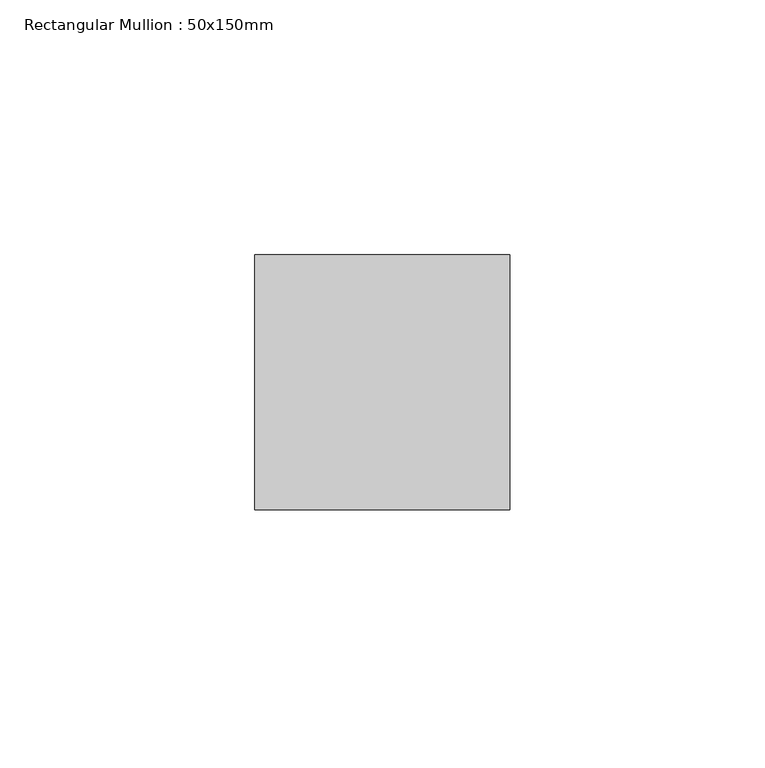
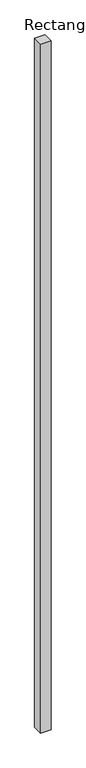
"""IFC4 building model written with IfcOpenShell, lengths in millimetres: member geometry, Rectangular Mullion : 50x150mm."""

import ifcopenshell
import ifcopenshell.guid

model = None  # the IFC model being written
_history = None  # IfcOwnerHistory: only IFC2X3 demands one
_inside = {}  # id of a spatial element -> (the spatial element, [elements in it])
_under = {}  # id of a project, library or spatial element -> (it, [spatial elements below it])
_declared = {}  # id of a project -> (the project, [libraries it declares])
_typed = {}  # id of a type object -> (the type object, [elements of that type])
_made_of = {}  # id of a material, layer set ... -> (it, [elements and type objects made of it])


def new_model(schema):
    """Start an empty IFC model of exactly this schema.

    Asked for "IFC4X3", IfcOpenShell would pick the latest addendum, in which some entities
    have other attributes; the version numbers below select the first issue.
    IFC2X3 requires an IfcOwnerHistory on every rooted entity: one is made here for all.
    """
    global model, _history
    if schema == "IFC4X3":
        model = ifcopenshell.file(schema_version=(4, 3, 0, 0))
    else:
        model = ifcopenshell.file(schema=schema)
    _inside.clear()
    _under.clear()
    _declared.clear()
    _typed.clear()
    _made_of.clear()
    _history = None
    if model.schema == "IFC2X3":
        org = make("IfcOrganization", Name="unknown")
        user = make(
            "IfcPersonAndOrganization",
            ThePerson=make("IfcPerson", FamilyName="unknown"),
            TheOrganization=org,
        )
        app = make(
            "IfcApplication",
            ApplicationDeveloper=org,
            Version="unknown",
            ApplicationFullName="unknown",
            ApplicationIdentifier="unknown",
        )
        _history = make(
            "IfcOwnerHistory",
            OwningUser=user,
            OwningApplication=app,
            ChangeAction="ADDED",
            CreationDate=0,
        )
    return model


def make(cls, **values):
    """One entity of the class cls with the attributes given. An attribute that is None is left unset."""
    return model.create_entity(
        cls, **{name: value for name, value in values.items() if value is not None}
    )


def rooted(cls, **values):
    """An entity with a GlobalId (a new one), such as an element, a storey or a relation."""
    return make(cls, GlobalId=ifcopenshell.guid.new(), OwnerHistory=_history, **values)


def si_unit(unit_type, name, prefix=None):
    """IfcSIUnit, for example si_unit("LENGTHUNIT", "METRE", prefix="MILLI")."""
    return make("IfcSIUnit", UnitType=unit_type, Prefix=prefix, Name=name)


def assignment(units):
    """IfcUnitAssignment: the units of a project."""
    return None if units is None else make("IfcUnitAssignment", Units=units)


def point(xyz):
    """IfcCartesianPoint."""
    return None if xyz is None else make("IfcCartesianPoint", Coordinates=xyz)


def direction(xyz):
    """IfcDirection."""
    return None if xyz is None else make("IfcDirection", DirectionRatios=xyz)


def frame(location, z_axis=None, x_axis=None):
    """IfcAxis2Placement3D, a coordinate frame: its origin and axes. An axis left out is left unset."""
    return make(
        "IfcAxis2Placement3D",
        Location=point(location),
        Axis=direction(z_axis),
        RefDirection=direction(x_axis),
    )


def origin():
    """The frame at (0, 0, 0) with its axes left unset."""
    return frame((0.0, 0.0, 0.0))


def place(relative_to, where):
    """IfcLocalPlacement: puts the frame where relative to a parent placement (None: the world)."""
    return make(
        "IfcLocalPlacement", PlacementRelTo=relative_to, RelativePlacement=where
    )


def context(
    kind, dimensions, precision=None, world=None, true_north=None, identifier=None
):
    """IfcGeometricRepresentationContext, for example the 3D "Model" context."""
    return make(
        "IfcGeometricRepresentationContext",
        ContextIdentifier=identifier,
        ContextType=kind,
        CoordinateSpaceDimension=dimensions,
        Precision=precision,
        WorldCoordinateSystem=world,
        TrueNorth=true_north,
    )


def project(units=None, contexts=None):
    """IfcProject with its units and contexts."""
    return rooted(
        "IfcProject",
        Name="project",
        RepresentationContexts=contexts,
        UnitsInContext=assignment(units),
    )


def spatial(cls, under=None, at=None, **own):
    """A site, building, storey or space (cls), placed at a placement, below another one or the project."""
    s = rooted(cls, ObjectPlacement=at, **own)
    if under is not None:
        _under.setdefault(under.id(), (under, []))[1].append(s)
    return s


def polyline(points):
    """IfcPolyline through the points."""
    return make("IfcPolyline", Points=[point(p) for p in points])


def outline(outer, holes=None, kind="AREA"):
    """IfcArbitraryClosedProfileDef: a profile drawn as a closed curve; with holes, ...WithVoids."""
    if holes is None:
        return make("IfcArbitraryClosedProfileDef", ProfileType=kind, OuterCurve=outer)
    return make(
        "IfcArbitraryProfileDefWithVoids",
        ProfileType=kind,
        OuterCurve=outer,
        InnerCurves=holes,
    )


def extrude(swept, where, along, depth):
    """IfcExtrudedAreaSolid: the profile swept, set in the frame where, extruded along a direction by depth."""
    return make(
        "IfcExtrudedAreaSolid",
        SweptArea=swept,
        Position=where,
        ExtrudedDirection=direction(along),
        Depth=depth,
    )


def shape(context_of_items, identifier, shape_type, items):
    """IfcShapeRepresentation: the items that make up one representation, for example the "Body"."""
    return make(
        "IfcShapeRepresentation",
        ContextOfItems=context_of_items,
        RepresentationIdentifier=identifier,
        RepresentationType=shape_type,
        Items=items,
    )


def source(mapping_origin, context_of_items, identifier, shape_type, items):
    """IfcRepresentationMap: a shape defined once, which mapped items show again and again."""
    return make(
        "IfcRepresentationMap",
        MappingOrigin=mapping_origin,
        MappedRepresentation=shape(context_of_items, identifier, shape_type, items),
    )


def transform(
    local_origin,
    x_axis=None,
    y_axis=None,
    z_axis=None,
    scale=None,
    scale2=None,
    scale3=None,
    uniform=True,
):
    """IfcCartesianTransformationOperator3D, or its non-uniform kind. x_axis, y_axis, z_axis: its Axis1, 2, 3."""
    if uniform:
        return make(
            "IfcCartesianTransformationOperator3D",
            Axis1=direction(x_axis),
            Axis2=direction(y_axis),
            LocalOrigin=point(local_origin),
            Scale=scale,
            Axis3=direction(z_axis),
        )
    return make(
        "IfcCartesianTransformationOperator3DnonUniform",
        Axis1=direction(x_axis),
        Axis2=direction(y_axis),
        LocalOrigin=point(local_origin),
        Scale=scale,
        Axis3=direction(z_axis),
        Scale2=scale2,
        Scale3=scale3,
    )


def mapped(mapping_source, mapping_target):
    """IfcMappedItem: shows the shape of a source again, moved by a transform."""
    return make(
        "IfcMappedItem", MappingSource=mapping_source, MappingTarget=mapping_target
    )


def made_of(thing, what):
    """Note that an element or type object is made of a material, layer set ...; save() writes the relation."""
    if what is not None:
        _made_of.setdefault(what.id(), (what, []))[1].append(thing)
    return thing


def element(
    cls,
    number,
    at=None,
    inside=None,
    cuts=None,
    type_object=None,
    material=None,
    context=None,
    identifier="Body",
    shape_type=None,
    held_by="IfcProductDefinitionShape",
    body=None,
    shapes=None,
    **own,
):
    """One element of the class cls, such as IfcWall. Its Tag is "e" and its number.

    at: its placement. inside: the storey or other place that contains it. cuts: it is an
    opening in that element (IfcRelVoidsElement). A single representation is given by context,
    identifier, shape_type and body (its items); several are given by shapes. held_by: the class
    of the entity that holds the representations. save() writes the other relations.
    """
    e = rooted(cls, Tag="e%d" % number, ObjectPlacement=at, **own)
    if body is not None:
        shapes = [shape(context, identifier, shape_type, body)]
    if shapes is not None:
        e.Representation = make(held_by, Representations=shapes)
    if inside is not None:
        _inside.setdefault(inside.id(), (inside, []))[1].append(e)
    if cuts is not None:
        rooted(
            "IfcRelVoidsElement", RelatingBuildingElement=cuts, RelatedOpeningElement=e
        )
    if type_object is not None:
        _typed.setdefault(type_object.id(), (type_object, []))[1].append(e)
    return made_of(e, material)


def aggregate(whole, parts):
    """IfcRelAggregates: a whole, such as a stair, and the parts it consists of."""
    return rooted("IfcRelAggregates", RelatingObject=whole, RelatedObjects=parts)


def save(model, path):
    """Write the relations noted so far, then the file.

    IfcRelAggregates (storeys below a building ...), IfcRelContainedInSpatialStructure (elements
    in a storey), IfcRelDefinesByType, IfcRelAssociatesMaterial and IfcRelDeclares: one each for
    every whole, place, type object, material and project.
    """
    for whole, parts in _under.values():
        aggregate(whole, parts)
    for where, things in _inside.values():
        rooted(
            "IfcRelContainedInSpatialStructure",
            RelatedElements=things,
            RelatingStructure=where,
        )
    for kind, things in _typed.values():
        rooted("IfcRelDefinesByType", RelatedObjects=things, RelatingType=kind)
    for what, things in _made_of.values():
        rooted("IfcRelAssociatesMaterial", RelatedObjects=things, RelatingMaterial=what)
    for by, libraries in _declared.values():
        rooted("IfcRelDeclares", RelatingContext=by, RelatedDefinitions=libraries)
    model.write(path)


def rectangular_mullion_50x150mm_a7951c1e(model_context):
    return source(origin(), model_context, "Body", "SweptSolid", [
        extrude(outline(polyline([(0.0, 25.0), (0.0, -25.0), (-50.0, -25.0), (-50.0, 25.0), (0.0, 25.0)])), frame((0.0, 0.0, -3535.0), z_axis=(0.0, 0.0, 1.0), x_axis=(1.0, 0.0, 0.0)), (0.0, 0.0, 1.0), 3535.0),
    ])


if __name__ == "__main__":
    model = new_model("IFC4")
    model_context = context("Model", 3, world=origin())
    ifc_project = project(units=[si_unit("LENGTHUNIT", "METRE", prefix="MILLI")], contexts=[model_context])
    site = spatial("IfcSite", under=ifc_project)
    building = spatial("IfcBuilding", under=site)
    placement = place(None, origin())
    rectangular_mullion_50x150mm_shape = rectangular_mullion_50x150mm_a7951c1e(model_context)
    element("IfcMember", 1, ObjectType="Rectangular Mullion : 50x150mm", at=placement, inside=building, context=model_context, shape_type="MappedRepresentation", body=[
        mapped(rectangular_mullion_50x150mm_shape, transform((0.0, 0.0, 0.0), x_axis=(1.0, 0.0, 0.0), y_axis=(0.0, 1.0, 0.0), z_axis=(0.0, 0.0, 1.0))),
    ])
    save(model, "model.ifc")
